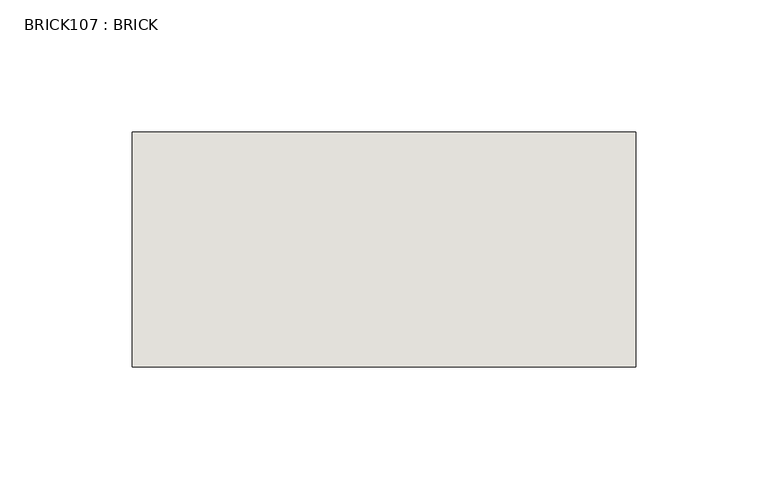
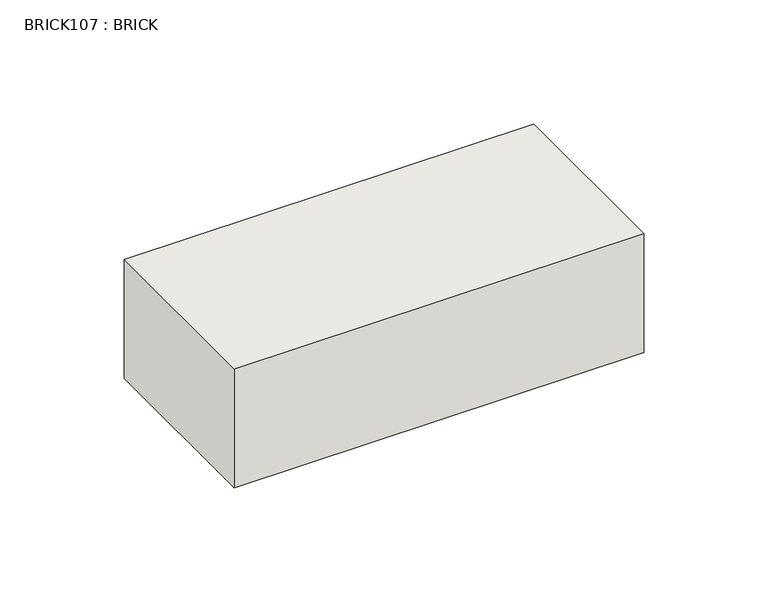
"""IFC4 building model written with IfcOpenShell, lengths in millimetres: wall geometry, BRICK107 : BRICK."""

from ifc_helpers import new_model, si_unit, frame, origin, place, context, project, spatial, polyline, outline, extrude, source, transform, mapped, element, save


def brick107_brick_69d7d29a(model_context):
    return source(origin(), model_context, "Body", "SweptSolid", [
        extrude(outline(polyline([(935.3272594, 2586.2274125), (1125.8272594, 2586.2274125), (1125.8272594, 2497.3274125), (935.3272594, 2497.3274125), (935.3272594, 2586.2274125)])), frame((0.0, 0.0, 143.8671875), z_axis=(0.0, 0.0, 1.0), x_axis=(1.0, 0.0, 0.0)), (0.0, 0.0, 1.0), 58.4398437),
    ])


if __name__ == "__main__":
    model = new_model("IFC4")
    model_context = context("Model", 3, world=origin())
    ifc_project = project(units=[si_unit("LENGTHUNIT", "METRE", prefix="MILLI")], contexts=[model_context])
    site = spatial("IfcSite", under=ifc_project)
    building = spatial("IfcBuilding", under=site)
    placement = place(None, origin())
    brick107_brick_shape = brick107_brick_69d7d29a(model_context)
    element("IfcWall", 1, ObjectType="BRICK107 : BRICK", at=placement, inside=building, context=model_context, shape_type="MappedRepresentation", body=[
        mapped(brick107_brick_shape, transform((0.0, 0.0, 0.0), x_axis=(1.0, 0.0, 0.0), y_axis=(0.0, 1.0, 0.0), z_axis=(0.0, 0.0, 1.0))),
    ])
    save(model, "model.ifc")
